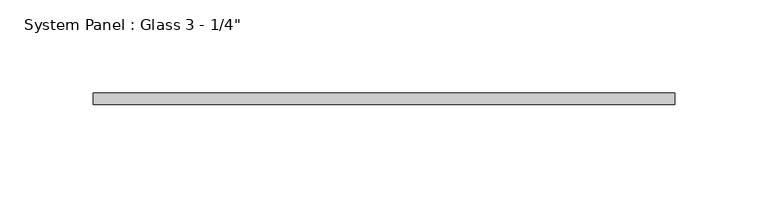
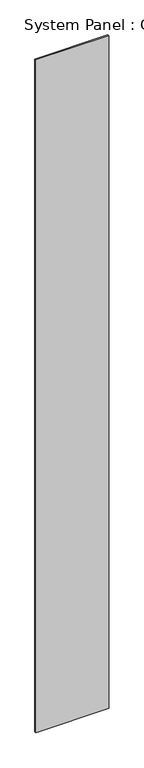
"""IFC4 building model written with IfcOpenShell, lengths in millimetres: plate geometry."""

from ifc_helpers import new_model, si_unit, origin, origin_with_axes, place, context, project, spatial, polyline, outline, extrude, source, transform, mapped, element, save


def plate_650346a0(model_context):
    return source(origin(), model_context, "Body", "SweptSolid", [
        extrude(outline(polyline([(156.1878546, -6.35), (-156.1878546, -6.35), (-156.1878546, 0.0), (156.1878546, 0.0), (156.1878546, -6.35)])), origin_with_axes(), (0.0, 0.0, 1.0), 3048.0),
    ])


if __name__ == "__main__":
    model = new_model("IFC4")
    model_context = context("Model", 3, world=origin())
    ifc_project = project(units=[si_unit("LENGTHUNIT", "METRE", prefix="MILLI")], contexts=[model_context])
    site = spatial("IfcSite", under=ifc_project)
    building = spatial("IfcBuilding", under=site)
    placement = place(None, origin())
    plate_shape = plate_650346a0(model_context)
    element("IfcPlate", 1, ObjectType="System Panel : Glass 3 - 1/4\"", at=placement, inside=building, context=model_context, shape_type="MappedRepresentation", body=[
        mapped(plate_shape, transform((0.0, 0.0, 0.0), x_axis=(1.0, 0.0, 0.0), y_axis=(0.0, 1.0, 0.0), z_axis=(0.0, 0.0, 1.0))),
    ])
    save(model, "model.ifc")
